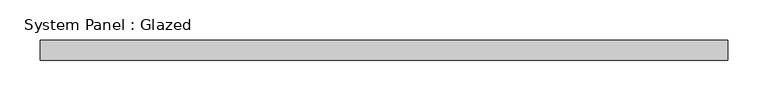
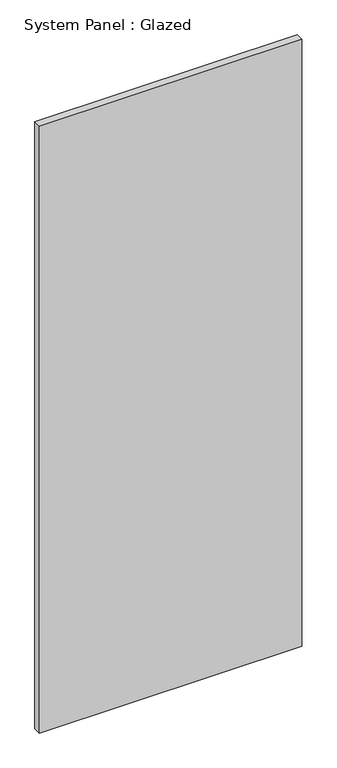
"""IFC4 building model written with IfcOpenShell, lengths in millimetres: plate geometry, System Panel : Glazed."""

from ifc_helpers import new_model, si_unit, origin, origin_with_axes, place, context, project, spatial, polyline, outline, extrude, source, transform, mapped, element, save


def system_panel_glazed_5ce88490(model_context):
    return source(origin(), model_context, "Body", "SweptSolid", [
        extrude(outline(polyline([(428.625, 19.05), (-428.625, 19.05), (-428.625, 44.45), (428.625, 44.45), (428.625, 19.05)])), origin_with_axes(), (0.0, 0.0, 1.0), 2095.5),
    ])


if __name__ == "__main__":
    model = new_model("IFC4")
    model_context = context("Model", 3, world=origin())
    ifc_project = project(units=[si_unit("LENGTHUNIT", "METRE", prefix="MILLI")], contexts=[model_context])
    site = spatial("IfcSite", under=ifc_project)
    building = spatial("IfcBuilding", under=site)
    placement = place(None, origin())
    system_panel_glazed_shape = system_panel_glazed_5ce88490(model_context)
    element("IfcPlate", 1, ObjectType="System Panel : Glazed", at=placement, inside=building, context=model_context, shape_type="MappedRepresentation", body=[
        mapped(system_panel_glazed_shape, transform((0.0, 0.0, 0.0), x_axis=(1.0, 0.0, 0.0), y_axis=(0.0, 1.0, 0.0), z_axis=(0.0, 0.0, 1.0))),
    ])
    save(model, "model.ifc")
